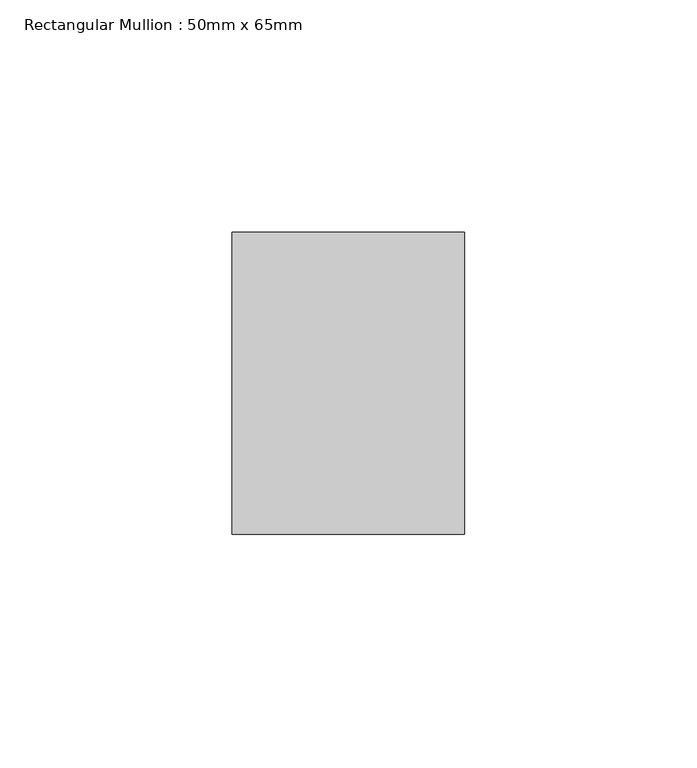
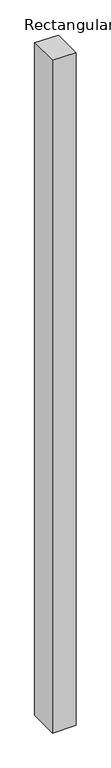
"""IFC4 building model written with IfcOpenShell, lengths in millimetres: member geometry, Rectangular Mullion : 50mm x 65mm."""

from ifc_helpers import new_model, si_unit, origin, place, context, project, spatial, faceted_brep, source, transform, mapped, element, save


def rectangular_mullion_50mm_x_65mm_1e9fe527(model_context):
    return source(origin(), model_context, "Body", "Brep", [
        faceted_brep([(-25.0, 32.5, -0.1835718), (25.0, 32.5, -0.1835724), (25.0, 32.5, -1499.733524), (-25.0, 32.5, -1499.733525), (-25.0, -32.5, 0.1835724), (-25.0, -32.5, -1500.2664205), (25.0, -32.5, 0.1835718), (25.0, -32.5, -1500.2664195)], [[[0, 1, 2, 3]], [[4, 0, 3, 5]], [[6, 4, 5, 7]], [[1, 6, 7, 2]], [[1, 0, 4, 6]], [[2, 7, 5, 3]]]),
    ])


if __name__ == "__main__":
    model = new_model("IFC4")
    model_context = context("Model", 3, world=origin())
    ifc_project = project(units=[si_unit("LENGTHUNIT", "METRE", prefix="MILLI")], contexts=[model_context])
    site = spatial("IfcSite", under=ifc_project)
    building = spatial("IfcBuilding", under=site)
    placement = place(None, origin())
    rectangular_mullion_50mm_x_65mm_shape = rectangular_mullion_50mm_x_65mm_1e9fe527(model_context)
    element("IfcMember", 1, ObjectType="Rectangular Mullion : 50mm x 65mm", at=placement, inside=building, context=model_context, shape_type="MappedRepresentation", body=[
        mapped(rectangular_mullion_50mm_x_65mm_shape, transform((0.0, 0.0, 0.0), x_axis=(1.0, 0.0, 0.0), y_axis=(0.0, 1.0, 0.0), z_axis=(0.0, 0.0, 1.0))),
    ])
    save(model, "model.ifc")
